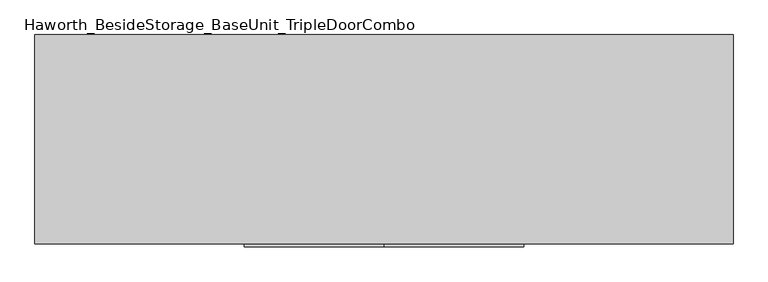
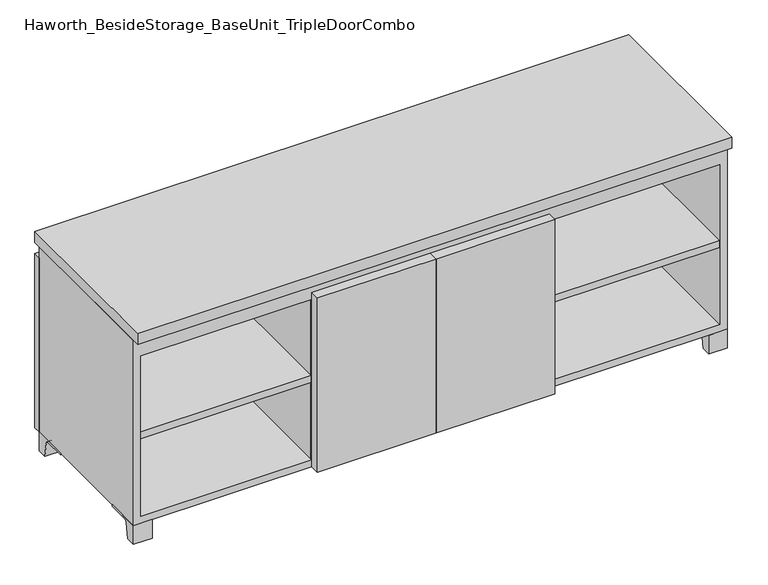
"""IFC4 building model written with IfcOpenShell, lengths in millimetres: furniture geometry, Haworth_BesideStorage_BaseUnit_TripleDoorCombo."""

import ifcopenshell
import ifcopenshell.guid

model = None  # the IFC model being written
_history = None  # IfcOwnerHistory: only IFC2X3 demands one
_inside = {}  # id of a spatial element -> (the spatial element, [elements in it])
_under = {}  # id of a project, library or spatial element -> (it, [spatial elements below it])
_declared = {}  # id of a project -> (the project, [libraries it declares])
_typed = {}  # id of a type object -> (the type object, [elements of that type])
_made_of = {}  # id of a material, layer set ... -> (it, [elements and type objects made of it])


def new_model(schema):
    """Start an empty IFC model of exactly this schema.

    Asked for "IFC4X3", IfcOpenShell would pick the latest addendum, in which some entities
    have other attributes; the version numbers below select the first issue.
    IFC2X3 requires an IfcOwnerHistory on every rooted entity: one is made here for all.
    """
    global model, _history
    if schema == "IFC4X3":
        model = ifcopenshell.file(schema_version=(4, 3, 0, 0))
    else:
        model = ifcopenshell.file(schema=schema)
    _inside.clear()
    _under.clear()
    _declared.clear()
    _typed.clear()
    _made_of.clear()
    _history = None
    if model.schema == "IFC2X3":
        org = make("IfcOrganization", Name="unknown")
        user = make(
            "IfcPersonAndOrganization",
            ThePerson=make("IfcPerson", FamilyName="unknown"),
            TheOrganization=org,
        )
        app = make(
            "IfcApplication",
            ApplicationDeveloper=org,
            Version="unknown",
            ApplicationFullName="unknown",
            ApplicationIdentifier="unknown",
        )
        _history = make(
            "IfcOwnerHistory",
            OwningUser=user,
            OwningApplication=app,
            ChangeAction="ADDED",
            CreationDate=0,
        )
    return model


def make(cls, **values):
    """One entity of the class cls with the attributes given. An attribute that is None is left unset."""
    return model.create_entity(
        cls, **{name: value for name, value in values.items() if value is not None}
    )


def rooted(cls, **values):
    """An entity with a GlobalId (a new one), such as an element, a storey or a relation."""
    return make(cls, GlobalId=ifcopenshell.guid.new(), OwnerHistory=_history, **values)


def si_unit(unit_type, name, prefix=None):
    """IfcSIUnit, for example si_unit("LENGTHUNIT", "METRE", prefix="MILLI")."""
    return make("IfcSIUnit", UnitType=unit_type, Prefix=prefix, Name=name)


def assignment(units):
    """IfcUnitAssignment: the units of a project."""
    return None if units is None else make("IfcUnitAssignment", Units=units)


def point(xyz):
    """IfcCartesianPoint."""
    return None if xyz is None else make("IfcCartesianPoint", Coordinates=xyz)


def direction(xyz):
    """IfcDirection."""
    return None if xyz is None else make("IfcDirection", DirectionRatios=xyz)


def frame(location, z_axis=None, x_axis=None):
    """IfcAxis2Placement3D, a coordinate frame: its origin and axes. An axis left out is left unset."""
    return make(
        "IfcAxis2Placement3D",
        Location=point(location),
        Axis=direction(z_axis),
        RefDirection=direction(x_axis),
    )


def frame_2d(location, x_axis=None):
    """IfcAxis2Placement2D, a coordinate frame in the plane: its origin and x axis."""
    return make(
        "IfcAxis2Placement2D", Location=point(location), RefDirection=direction(x_axis)
    )


def origin():
    """The frame at (0, 0, 0) with its axes left unset."""
    return frame((0.0, 0.0, 0.0))


def place(relative_to, where):
    """IfcLocalPlacement: puts the frame where relative to a parent placement (None: the world)."""
    return make(
        "IfcLocalPlacement", PlacementRelTo=relative_to, RelativePlacement=where
    )


def context(
    kind, dimensions, precision=None, world=None, true_north=None, identifier=None
):
    """IfcGeometricRepresentationContext, for example the 3D "Model" context."""
    return make(
        "IfcGeometricRepresentationContext",
        ContextIdentifier=identifier,
        ContextType=kind,
        CoordinateSpaceDimension=dimensions,
        Precision=precision,
        WorldCoordinateSystem=world,
        TrueNorth=true_north,
    )


def project(units=None, contexts=None):
    """IfcProject with its units and contexts."""
    return rooted(
        "IfcProject",
        Name="project",
        RepresentationContexts=contexts,
        UnitsInContext=assignment(units),
    )


def spatial(cls, under=None, at=None, **own):
    """A site, building, storey or space (cls), placed at a placement, below another one or the project."""
    s = rooted(cls, ObjectPlacement=at, **own)
    if under is not None:
        _under.setdefault(under.id(), (under, []))[1].append(s)
    return s


def polyline(points):
    """IfcPolyline through the points."""
    return make("IfcPolyline", Points=[point(p) for p in points])


def circle_curve(where, radius):
    """IfcCircle in the frame where."""
    return make("IfcCircle", Position=where, Radius=radius)


def trimmed(basis, trim1, trim2, sense, master):
    """IfcTrimmedCurve: the piece of a basis curve between two trims."""
    return make(
        "IfcTrimmedCurve",
        BasisCurve=basis,
        Trim1=trim1,
        Trim2=trim2,
        SenseAgreement=sense,
        MasterRepresentation=master,
    )


def segment(curve, same_sense, transition):
    """IfcCompositeCurveSegment."""
    return make(
        "IfcCompositeCurveSegment",
        Transition=transition,
        SameSense=same_sense,
        ParentCurve=curve,
    )


def composite_curve(segments, self_intersect=None):
    """IfcCompositeCurve: segments joined end to end."""
    return make("IfcCompositeCurve", Segments=segments, SelfIntersect=self_intersect)


def outline(outer, holes=None, kind="AREA"):
    """IfcArbitraryClosedProfileDef: a profile drawn as a closed curve; with holes, ...WithVoids."""
    if holes is None:
        return make("IfcArbitraryClosedProfileDef", ProfileType=kind, OuterCurve=outer)
    return make(
        "IfcArbitraryProfileDefWithVoids",
        ProfileType=kind,
        OuterCurve=outer,
        InnerCurves=holes,
    )


def extrude(swept, where, along, depth):
    """IfcExtrudedAreaSolid: the profile swept, set in the frame where, extruded along a direction by depth."""
    return make(
        "IfcExtrudedAreaSolid",
        SweptArea=swept,
        Position=where,
        ExtrudedDirection=direction(along),
        Depth=depth,
    )


def shape(context_of_items, identifier, shape_type, items):
    """IfcShapeRepresentation: the items that make up one representation, for example the "Body"."""
    return make(
        "IfcShapeRepresentation",
        ContextOfItems=context_of_items,
        RepresentationIdentifier=identifier,
        RepresentationType=shape_type,
        Items=items,
    )


def source(mapping_origin, context_of_items, identifier, shape_type, items):
    """IfcRepresentationMap: a shape defined once, which mapped items show again and again."""
    return make(
        "IfcRepresentationMap",
        MappingOrigin=mapping_origin,
        MappedRepresentation=shape(context_of_items, identifier, shape_type, items),
    )


def transform(
    local_origin,
    x_axis=None,
    y_axis=None,
    z_axis=None,
    scale=None,
    scale2=None,
    scale3=None,
    uniform=True,
):
    """IfcCartesianTransformationOperator3D, or its non-uniform kind. x_axis, y_axis, z_axis: its Axis1, 2, 3."""
    if uniform:
        return make(
            "IfcCartesianTransformationOperator3D",
            Axis1=direction(x_axis),
            Axis2=direction(y_axis),
            LocalOrigin=point(local_origin),
            Scale=scale,
            Axis3=direction(z_axis),
        )
    return make(
        "IfcCartesianTransformationOperator3DnonUniform",
        Axis1=direction(x_axis),
        Axis2=direction(y_axis),
        LocalOrigin=point(local_origin),
        Scale=scale,
        Axis3=direction(z_axis),
        Scale2=scale2,
        Scale3=scale3,
    )


def mapped(mapping_source, mapping_target):
    """IfcMappedItem: shows the shape of a source again, moved by a transform."""
    return make(
        "IfcMappedItem", MappingSource=mapping_source, MappingTarget=mapping_target
    )


def made_of(thing, what):
    """Note that an element or type object is made of a material, layer set ...; save() writes the relation."""
    if what is not None:
        _made_of.setdefault(what.id(), (what, []))[1].append(thing)
    return thing


def element(
    cls,
    number,
    at=None,
    inside=None,
    cuts=None,
    type_object=None,
    material=None,
    context=None,
    identifier="Body",
    shape_type=None,
    held_by="IfcProductDefinitionShape",
    body=None,
    shapes=None,
    **own,
):
    """One element of the class cls, such as IfcWall. Its Tag is "e" and its number.

    at: its placement. inside: the storey or other place that contains it. cuts: it is an
    opening in that element (IfcRelVoidsElement). A single representation is given by context,
    identifier, shape_type and body (its items); several are given by shapes. held_by: the class
    of the entity that holds the representations. save() writes the other relations.
    """
    e = rooted(cls, Tag="e%d" % number, ObjectPlacement=at, **own)
    if body is not None:
        shapes = [shape(context, identifier, shape_type, body)]
    if shapes is not None:
        e.Representation = make(held_by, Representations=shapes)
    if inside is not None:
        _inside.setdefault(inside.id(), (inside, []))[1].append(e)
    if cuts is not None:
        rooted(
            "IfcRelVoidsElement", RelatingBuildingElement=cuts, RelatedOpeningElement=e
        )
    if type_object is not None:
        _typed.setdefault(type_object.id(), (type_object, []))[1].append(e)
    return made_of(e, material)


def aggregate(whole, parts):
    """IfcRelAggregates: a whole, such as a stair, and the parts it consists of."""
    return rooted("IfcRelAggregates", RelatingObject=whole, RelatedObjects=parts)


def save(model, path):
    """Write the relations noted so far, then the file.

    IfcRelAggregates (storeys below a building ...), IfcRelContainedInSpatialStructure (elements
    in a storey), IfcRelDefinesByType, IfcRelAssociatesMaterial and IfcRelDeclares: one each for
    every whole, place, type object, material and project.
    """
    for whole, parts in _under.values():
        aggregate(whole, parts)
    for where, things in _inside.values():
        rooted(
            "IfcRelContainedInSpatialStructure",
            RelatedElements=things,
            RelatingStructure=where,
        )
    for kind, things in _typed.values():
        rooted("IfcRelDefinesByType", RelatedObjects=things, RelatingType=kind)
    for what, things in _made_of.values():
        rooted("IfcRelAssociatesMaterial", RelatedObjects=things, RelatingMaterial=what)
    for by, libraries in _declared.values():
        rooted("IfcRelDeclares", RelatingContext=by, RelatedDefinitions=libraries)
    model.write(path)


def haworth_besidestorage_baseunit_tripledoorcombo_107c191d(model_context):
    return source(origin(), model_context, "Body", "SweptSolid", [
        extrude(outline(polyline([(304.8069453, 241.3), (742.9569453, 241.3), (742.9569453, -142.875), (304.8069453, -142.875), (304.8069453, 241.3)])), frame((0.0, 0.0, 277.8125), z_axis=(0.0, 0.0, 1.0), x_axis=(1.0, 0.0, 0.0)), (0.0, 0.0, 1.0), 19.05),
        extrude(outline(polyline([(-304.7791641, 241.3), (-304.7791641, -142.875), (-742.9291641, -142.875), (-742.9291641, 241.3), (-304.7791641, 241.3)])), frame((0.0, 0.0, 277.8125), z_axis=(0.0, 0.0, 1.0), x_axis=(1.0, 0.0, 0.0)), (0.0, 0.0, 1.0), 19.05),
        extrude(outline(polyline([(285.7638906, 241.3), (285.7638906, -142.875), (-285.7361094, -142.875), (-285.7361094, 241.3), (285.7638906, 241.3)])), frame((0.0, 0.0, 277.8125), z_axis=(0.0, 0.0, 1.0), x_axis=(1.0, 0.0, 0.0)), (0.0, 0.0, 1.0), 19.05),
        extrude(outline(composite_curve([segment(polyline([(47.6249864, 0.0), (22.225, 0.0), (22.225, 50.8), (117.475, 50.8), (117.475, 46.0213321), (60.6744655, 46.0213321)]), True, "CONTINUOUS"), segment(trimmed(circle_curve(frame_2d((60.6744655, 39.6713321)), 6.35), [point((60.6744655, 46.0213321))], [point((54.4108641, 40.7152656))], True, "CARTESIAN"), True, "CONTINUOUS"), segment(polyline([(54.4108641, 40.7152656), (47.6249864, 0.0)]), True, "CONTINUOUS")], self_intersect=False)), frame((-23.7986094, 0.0, 0.0), z_axis=(1.0, 0.0, 0.0), x_axis=(0.0, 1.0, 0.0)), (0.0, 0.0, 1.0), 47.625),
        extrude(outline(polyline([(762.0138906, 292.1), (762.0138906, -165.1), (-761.9861094, -165.1), (-761.9861094, 292.1), (762.0138906, 292.1)])), frame((0.0, 0.0, 554.0375), z_axis=(0.0, 0.0, 1.0), x_axis=(1.0, 0.0, 0.0)), (0.0, 0.0, 1.0), 30.1625),
        extrude(outline(composite_curve([segment(polyline([(-120.6500136, 0.0), (-146.05, 0.0), (-146.05, 50.8), (-50.8, 50.8), (-50.8, 46.0213321), (-107.6005345, 46.0213321)]), True, "CONTINUOUS"), segment(trimmed(circle_curve(frame_2d((-107.6005345, 39.6713321)), 6.35), [point((-107.6005345, 46.0213321))], [point((-113.8641359, 40.7152656))], True, "CARTESIAN"), True, "CONTINUOUS"), segment(polyline([(-113.8641359, 40.7152656), (-120.6500136, 0.0)]), True, "CONTINUOUS")], self_intersect=False)), frame((714.3888906, 0.0, 0.0), z_axis=(1.0, 0.0, 0.0), x_axis=(0.0, 1.0, 0.0)), (0.0, 0.0, 1.0), 47.625),
        extrude(outline(composite_curve([segment(polyline([(247.6500136, 0.0), (240.8641359, 40.7152656)]), True, "CONTINUOUS"), segment(trimmed(circle_curve(frame_2d((234.6005345, 39.6713321)), 6.35), [point((240.8641359, 40.7152656))], [point((234.6005345, 46.0213321))], True, "CARTESIAN"), True, "CONTINUOUS"), segment(polyline([(234.6005345, 46.0213321), (177.8, 46.0213321), (177.8, 50.8), (273.05, 50.8), (273.05, 0.0), (247.6500136, 0.0)]), True, "CONTINUOUS")], self_intersect=False)), frame((714.3888906, 0.0, 0.0), z_axis=(1.0, 0.0, 0.0), x_axis=(0.0, 1.0, 0.0)), (0.0, 0.0, 1.0), 47.625),
        extrude(outline(composite_curve([segment(polyline([(-120.6500136, 0.0), (-146.05, 0.0), (-146.05, 50.8), (-50.8, 50.8), (-50.8, 46.0213321), (-107.6005345, 46.0213321)]), True, "CONTINUOUS"), segment(trimmed(circle_curve(frame_2d((-107.6005345, 39.6713321)), 6.35), [point((-107.6005345, 46.0213321))], [point((-113.8641359, 40.7152656))], True, "CARTESIAN"), True, "CONTINUOUS"), segment(polyline([(-113.8641359, 40.7152656), (-120.6500136, 0.0)]), True, "CONTINUOUS")], self_intersect=False)), frame((-761.9861094, 0.0, 0.0), z_axis=(1.0, 0.0, 0.0), x_axis=(0.0, 1.0, 0.0)), (0.0, 0.0, 1.0), 47.625),
        extrude(outline(composite_curve([segment(polyline([(247.6500136, 0.0), (240.8641359, 40.7152656)]), True, "CONTINUOUS"), segment(trimmed(circle_curve(frame_2d((234.6005345, 39.6713321)), 6.35), [point((240.8641359, 40.7152656))], [point((234.6005345, 46.0213321))], True, "CARTESIAN"), True, "CONTINUOUS"), segment(polyline([(234.6005345, 46.0213321), (177.8, 46.0213321), (177.8, 50.8), (273.05, 50.8), (273.05, 0.0), (247.6500136, 0.0)]), True, "CONTINUOUS")], self_intersect=False)), frame((-761.9861094, 0.0, 0.0), z_axis=(1.0, 0.0, 0.0), x_axis=(0.0, 1.0, 0.0)), (0.0, 0.0, 1.0), 47.625),
        extrude(outline(polyline([(0.0138906, -171.45), (0.0138906, -146.05), (304.8138906, -146.05), (304.8138906, -171.45), (0.0138906, -171.45)])), frame((0.0, 0.0, 50.8), z_axis=(0.0, 0.0, 1.0), x_axis=(1.0, 0.0, 0.0)), (0.0, 0.0, 1.0), 473.075),
        extrude(outline(polyline([(0.0138906, -171.45), (-304.7861094, -171.45), (-304.7861094, -146.05), (0.0138906, -146.05), (0.0138906, -171.45)])), frame((0.0, 0.0, 50.8), z_axis=(0.0, 0.0, 1.0), x_axis=(1.0, 0.0, 0.0)), (0.0, 0.0, 1.0), 473.075),
        extrude(outline(polyline([(-736.5791641, -120.65), (-736.5791641, 247.65), (-720.7041641, 247.65), (-720.7041641, 73.025), (-7.9236094, 73.025), (-7.9236094, 247.65), (7.9513906, 247.65), (7.9513906, 73.025), (720.7111094, 73.025), (720.7111094, 247.65), (736.5861094, 247.65), (736.5861094, -120.65), (720.7111094, -120.65), (720.7111094, 53.975), (7.9513906, 53.975), (7.9513906, -120.65), (-7.9236094, -120.65), (-7.9236094, 53.975), (-720.7041641, 53.975), (-720.7041641, -120.65), (-736.5791641, -120.65)])), frame((0.0, 0.0, 523.875), z_axis=(0.0, 0.0, 1.0), x_axis=(1.0, 0.0, 0.0)), (0.0, 0.0, 1.0), 30.1625),
        extrude(outline(polyline([(304.8138906, 241.3), (304.8138906, -142.875), (285.7638906, -142.875), (285.7638906, 241.3), (304.8138906, 241.3)])), frame((0.0, 0.0, 69.85), z_axis=(0.0, 0.0, 1.0), x_axis=(1.0, 0.0, 0.0)), (0.0, 0.0, 1.0), 434.975),
        extrude(outline(polyline([(-285.7361094, 241.3), (-285.7361094, -142.875), (-304.7861094, -142.875), (-304.7861094, 241.3), (-285.7361094, 241.3)])), frame((0.0, 0.0, 69.85), z_axis=(0.0, 0.0, 1.0), x_axis=(1.0, 0.0, 0.0)), (0.0, 0.0, 1.0), 434.975),
        extrude(outline(polyline([(762.0138906, 273.05), (-761.9861094, 273.05), (-761.9861094, 292.1), (762.0138906, 292.1), (762.0138906, 273.05)])), frame((0.0, 0.0, 50.8), z_axis=(0.0, 0.0, 1.0), x_axis=(1.0, 0.0, 0.0)), (0.0, 0.0, 1.0), 473.075),
        extrude(outline(polyline([(50.8, -761.9861094), (50.8, 762.0138906), (554.0375, 762.0138906), (554.0375, -761.9861094), (50.8, -761.9861094)]), holes=[polyline([(69.85, -742.9361094), (504.825, -742.9361094), (504.825, 742.9569453), (69.85, 742.9569453), (69.85, -742.9361094)])]), frame((0.0, -146.05, 0.0), z_axis=(0.0, 1.0, 0.0), x_axis=(0.0, 0.0, 1.0)), (0.0, 0.0, 1.0), 419.1),
        extrude(outline(polyline([(-742.9291641, 241.3), (-742.9291641, 247.65), (742.9569453, 247.65), (742.9569453, 241.3), (-742.9291641, 241.3)])), frame((0.0, 0.0, 69.85), z_axis=(0.0, 0.0, 1.0), x_axis=(1.0, 0.0, 0.0)), (0.0, 0.0, 1.0), 434.975),
    ])


if __name__ == "__main__":
    model = new_model("IFC4")
    model_context = context("Model", 3, world=origin())
    ifc_project = project(units=[si_unit("LENGTHUNIT", "METRE", prefix="MILLI")], contexts=[model_context])
    site = spatial("IfcSite", under=ifc_project)
    building = spatial("IfcBuilding", under=site)
    placement = place(None, origin())
    haworth_besidestorage_baseunit_tripledoorcombo_shape = haworth_besidestorage_baseunit_tripledoorcombo_107c191d(model_context)
    element("IfcFurniture", 1, ObjectType="Haworth_BesideStorage_BaseUnit_TripleDoorCombo", at=placement, inside=building, context=model_context, shape_type="MappedRepresentation", body=[
        mapped(haworth_besidestorage_baseunit_tripledoorcombo_shape, transform((0.0, 0.0, 0.0), x_axis=(1.0, 0.0, 0.0), y_axis=(0.0, 1.0, 0.0), z_axis=(0.0, 0.0, 1.0))),
    ])
    save(model, "model.ifc")
